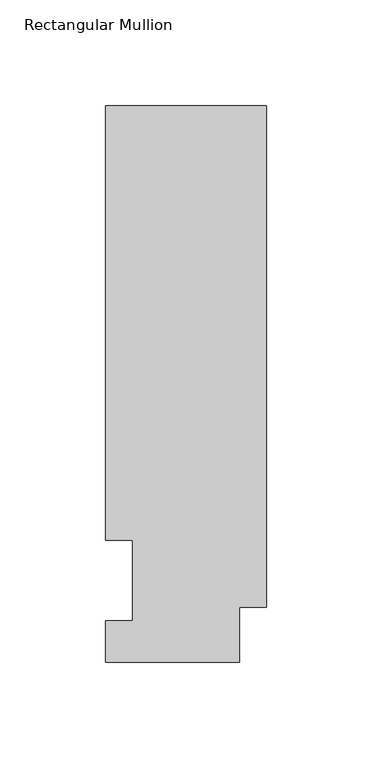
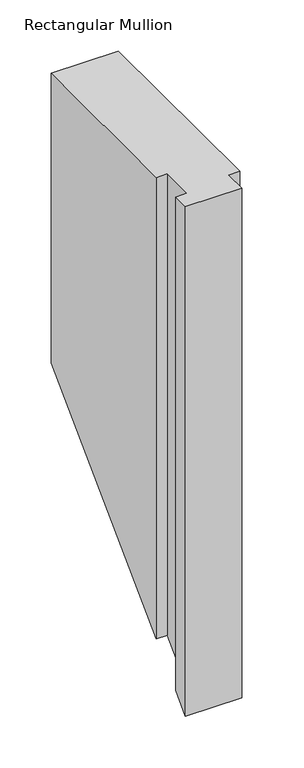
"""IFC4 building model written with IfcOpenShell, lengths in millimetres: member geometry, Rectangular Mullion."""

from ifc_helpers import new_model, si_unit, origin, place, context, project, spatial, faceted_brep, source, transform, mapped, element, save


def rectangular_mullion_a7b2c6dc(model_context):
    return source(origin(), model_context, "Body", "Brep", [
        faceted_brep([(0.0, 263.2336938, 0.0), (-76.2, 263.2336938, 0.0), (-76.2, 57.6460938, 0.0), (-63.5, 57.6460937, 0.0), (-63.5, 19.5460938, 0.0), (-76.2, 19.5460938, 0.0), (-76.2, 0.0134938, 0.0), (-12.7, 0.0134938, 0.0), (-12.7, 25.8955957, 0.0), (0.0, 25.8955957, 0.0), (0.0, 263.2336938, -346.3663062), (-76.2, 263.2336938, -346.3663062), (-76.2, 57.6460937, -551.9539062), (-63.5, 57.6460937, -551.9539062), (-63.5, 19.5460938, -590.0539062), (-76.2, 19.5460938, -590.0539062), (-76.2, 0.0134938, -609.5865062), (-12.7, 0.0134938, -609.5865062), (-12.7, 25.8955957, -583.7044043), (0.0, 25.8955957, -583.7044043)], [[[0, 1, 2, 3, 4, 5, 6, 7, 8, 9]], [[1, 0, 10, 11]], [[2, 1, 11, 12]], [[3, 2, 12, 13]], [[4, 3, 13, 14]], [[5, 4, 14, 15]], [[6, 5, 15, 16]], [[7, 6, 16, 17]], [[8, 7, 17, 18]], [[9, 8, 18, 19]], [[0, 9, 19, 10]], [[10, 19, 18, 17, 16, 15, 14, 13, 12, 11]]]),
    ])


if __name__ == "__main__":
    model = new_model("IFC4")
    model_context = context("Model", 3, world=origin())
    ifc_project = project(units=[si_unit("LENGTHUNIT", "METRE", prefix="MILLI")], contexts=[model_context])
    site = spatial("IfcSite", under=ifc_project)
    building = spatial("IfcBuilding", under=site)
    placement = place(None, origin())
    rectangular_mullion_shape = rectangular_mullion_a7b2c6dc(model_context)
    element("IfcMember", 1, ObjectType="Rectangular Mullion", at=placement, inside=building, context=model_context, shape_type="MappedRepresentation", body=[
        mapped(rectangular_mullion_shape, transform((0.0, 0.0, 0.0), x_axis=(1.0, 0.0, 0.0), y_axis=(0.0, 1.0, 0.0), z_axis=(0.0, 0.0, 1.0))),
    ])
    save(model, "model.ifc")
